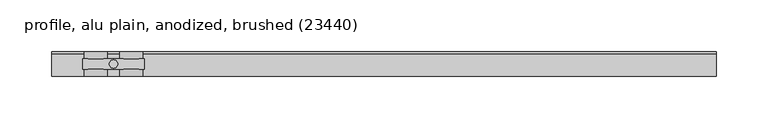
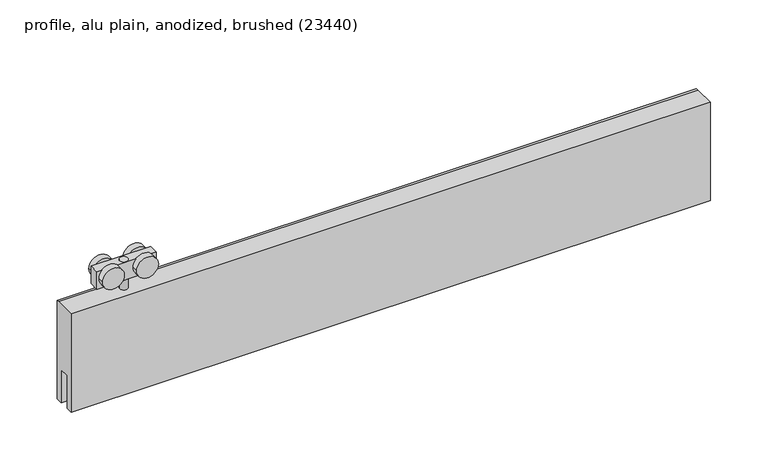
"""IFC4 building model written with IfcOpenShell, lengths in millimetres: proxy geometry, profile, alu plain, anodized, brushed (23440)."""

from ifc_helpers import new_model, si_unit, point, frame, frame_2d, origin, origin_2d, place, context, project, spatial, polyline, circle_curve, trimmed, segment, composite_curve, outline, extrude, source, transform, mapped, element, save


def profile_alu_plain_anodized_brushed_23440_be9323e2(model_context):
    return source(origin(), model_context, "Body", "SweptSolid", [
        extrude(outline(composite_curve([segment(trimmed(circle_curve(origin_2d(), 4.0), [point((-4.0, 0.0))], [point((4.0, 0.0))], False, "CARTESIAN"), True, "CONTINUOUS"), segment(trimmed(circle_curve(origin_2d(), 4.0), [point((4.0, 0.0))], [point((-4.0, 0.0))], False, "CARTESIAN"), True, "CONTINUOUS")], self_intersect=False)), frame((0.0, 0.0, 49.0), z_axis=(0.0, 0.0, 1.0), x_axis=(1.0, 0.0, 0.0)), (0.0, 0.0, 1.0), 30.0),
        extrude(outline(polyline([(30.0, -5.0), (-30.0, -5.0), (-30.0, 5.0), (30.0, 5.0), (30.0, -5.0)])), frame((0.0, 0.0, 60.4593609), z_axis=(0.0, 0.0, 1.0), x_axis=(1.0, 0.0, 0.0)), (0.0, 0.0, 1.0), 18.5406391),
        extrude(outline(composite_curve([segment(trimmed(circle_curve(frame_2d((71.5071727, 17.1562807)), 11.0), [point((71.5071727, 6.1562807))], [point((71.5071727, 28.1562807))], False, "CARTESIAN"), True, "CONTINUOUS"), segment(trimmed(circle_curve(frame_2d((71.5071727, 17.1562807)), 11.0), [point((71.5071727, 28.1562807))], [point((71.5071727, 6.1562807))], False, "CARTESIAN"), True, "CONTINUOUS")], self_intersect=False)), frame((0.0, 5.0, 0.0), z_axis=(0.0, 1.0, 0.0), x_axis=(0.0, 0.0, 1.0)), (0.0, 0.0, 1.0), 7.0),
        extrude(outline(composite_curve([segment(trimmed(circle_curve(frame_2d((71.5, 17.1562807)), 11.0), [point((71.5, 6.1562807))], [point((71.5, 28.1562807))], False, "CARTESIAN"), True, "CONTINUOUS"), segment(trimmed(circle_curve(frame_2d((71.5, 17.1562807)), 11.0), [point((71.5, 28.1562807))], [point((71.5, 6.1562807))], False, "CARTESIAN"), True, "CONTINUOUS")], self_intersect=False)), frame((0.0, -12.0, 0.0), z_axis=(0.0, 1.0, 0.0), x_axis=(0.0, 0.0, 1.0)), (0.0, 0.0, 1.0), 7.0),
        extrude(outline(composite_curve([segment(trimmed(circle_curve(frame_2d((71.5071727, -17.2187193)), 11.0), [point((71.5071727, -28.2187193))], [point((71.5071727, -6.2187193))], False, "CARTESIAN"), True, "CONTINUOUS"), segment(trimmed(circle_curve(frame_2d((71.5071727, -17.2187193)), 11.0), [point((71.5071727, -6.2187193))], [point((71.5071727, -28.2187193))], False, "CARTESIAN"), True, "CONTINUOUS")], self_intersect=False)), frame((0.0, 5.0, 0.0), z_axis=(0.0, 1.0, 0.0), x_axis=(0.0, 0.0, 1.0)), (0.0, 0.0, 1.0), 7.0),
        extrude(outline(composite_curve([segment(trimmed(circle_curve(frame_2d((71.5, -17.2187193)), 11.0), [point((71.5, -28.2187193))], [point((71.5, -6.2187193))], False, "CARTESIAN"), True, "CONTINUOUS"), segment(trimmed(circle_curve(frame_2d((71.5, -17.2187193)), 11.0), [point((71.5, -6.2187193))], [point((71.5, -28.2187193))], False, "CARTESIAN"), True, "CONTINUOUS")], self_intersect=False)), frame((0.0, -12.0, 0.0), z_axis=(0.0, 1.0, 0.0), x_axis=(0.0, 0.0, 1.0)), (0.0, 0.0, 1.0), 7.0),
        extrude(outline(polyline([(-12.0, 49.0), (9.692747, 49.0), (12.0, 49.0), (12.0, -56.0), (5.0, -56.0), (5.0, -21.0), (-5.0, -21.0), (-5.0, -56.0), (-12.0, -56.0), (-12.0, 49.0)])), frame((-60.0, 0.0, 0.0), z_axis=(1.0, 0.0, 0.0), x_axis=(0.0, 1.0, 0.0)), (0.0, 0.0, 1.0), 644.375),
    ])


if __name__ == "__main__":
    model = new_model("IFC4")
    model_context = context("Model", 3, world=origin())
    ifc_project = project(units=[si_unit("LENGTHUNIT", "METRE", prefix="MILLI")], contexts=[model_context])
    site = spatial("IfcSite", under=ifc_project)
    building = spatial("IfcBuilding", under=site)
    placement = place(None, origin())
    profile_alu_plain_anodized_brushed_23440_shape = profile_alu_plain_anodized_brushed_23440_be9323e2(model_context)
    element("IfcBuildingElementProxy", 1, Name="profile, alu plain, anodized, brushed (23440)", ObjectType="profile, alu plain, anodized, brushed (23440)", at=placement, inside=building, context=model_context, shape_type="MappedRepresentation", body=[
        mapped(profile_alu_plain_anodized_brushed_23440_shape, transform((0.0, 0.0, 0.0), x_axis=(1.0, 0.0, 0.0), y_axis=(0.0, 1.0, 0.0), z_axis=(0.0, 0.0, 1.0))),
    ])
    save(model, "model.ifc")
